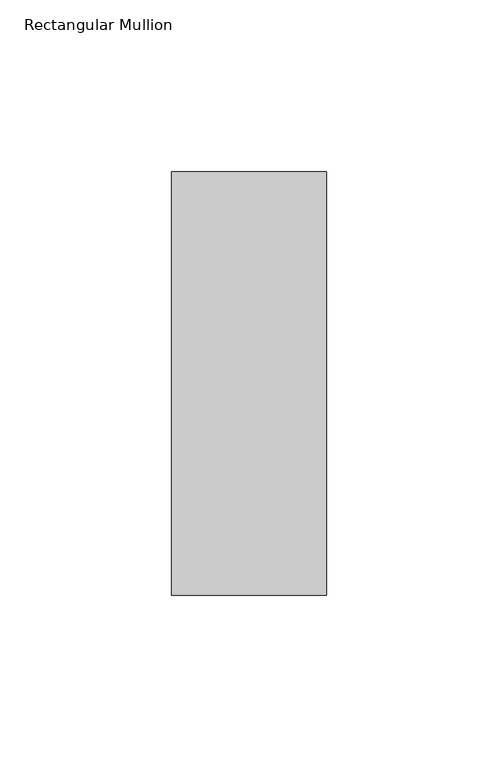
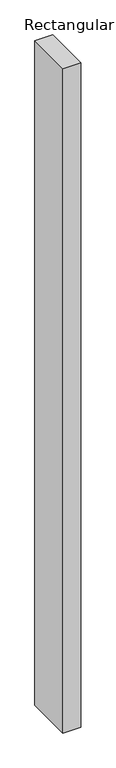
"""IFC4 building model written with IfcOpenShell, lengths in millimetres: member geometry, Rectangular Mullion."""

from ifc_helpers import new_model, si_unit, frame, origin, place, context, project, spatial, polyline, outline, extrude, source, transform, mapped, element, save


def rectangular_mullion_ec7d3295(model_context):
    return source(origin(), model_context, "Body", "SweptSolid", [
        extrude(outline(polyline([(22.5, 77.05), (22.5, -46.05), (-22.5, -46.05), (-22.5, 77.05), (22.5, 77.05)])), frame((0.0, 0.0, -1783.8), z_axis=(0.0, 0.0, 1.0), x_axis=(1.0, 0.0, 0.0)), (0.0, 0.0, 1.0), 1783.8),
    ])


if __name__ == "__main__":
    model = new_model("IFC4")
    model_context = context("Model", 3, world=origin())
    ifc_project = project(units=[si_unit("LENGTHUNIT", "METRE", prefix="MILLI")], contexts=[model_context])
    site = spatial("IfcSite", under=ifc_project)
    building = spatial("IfcBuilding", under=site)
    placement = place(None, origin())
    rectangular_mullion_shape = rectangular_mullion_ec7d3295(model_context)
    element("IfcMember", 1, ObjectType="Rectangular Mullion", at=placement, inside=building, context=model_context, shape_type="MappedRepresentation", body=[
        mapped(rectangular_mullion_shape, transform((0.0, 0.0, 0.0), x_axis=(1.0, 0.0, 0.0), y_axis=(0.0, 1.0, 0.0), z_axis=(0.0, 0.0, 1.0))),
    ])
    save(model, "model.ifc")
